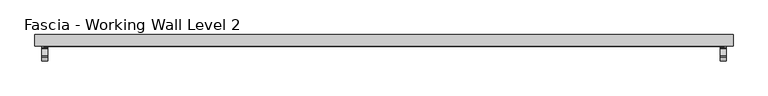
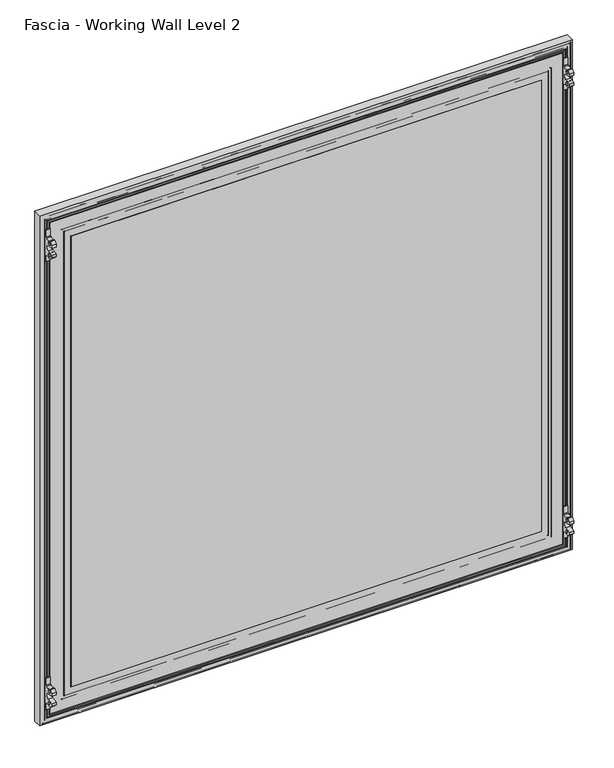
"""IFC4 building model written with IfcOpenShell, lengths in millimetres: proxy geometry, Fascia - Working Wall Level 2."""

from ifc_helpers import new_model, si_unit, point, frame, frame_2d, origin, origin_with_axes, place, context, project, spatial, polyline, circle_curve, ellipse_curve, trimmed, segment, composite_curve, outline, extrude, source, transform, mapped, element, save
from ifc_brep_helpers import plane_surface, cylinder_surface, advanced_brep


def fascia_working_wall_level_2_cd9cd66a(model_context):
    return source(origin(), model_context, "Body", "SolidModel", [
        extrude(outline(polyline([(-676.9277862, 27.57958), (515.3752112, 27.57958), (515.3752112, 8.52958), (-676.9277862, 8.52958), (-676.9277862, 27.57958)])), origin_with_axes(), (0.0, 0.0, 1.0), 1206.5),
        extrude(outline(polyline([(-607.3952862, 8.52958), (445.8427112, 8.52958), (445.8427112, 7.7479633), (-607.3952862, 7.7479633), (-607.3952862, 8.52958)])), frame((0.0, 0.0, 68.2878437), z_axis=(0.0, 0.0, 1.0), x_axis=(1.0, 0.0, 0.0)), (0.0, 0.0, 1.0), 1067.435),
        advanced_brep(
        [(-629.0968785, 9.1390123, 46.5862514), (-629.3662862, 8.26542, 46.3168437), (467.8137112, 8.26542, 46.3168437), (467.5443035, 9.1390123, 46.5862514), (-630.2706938, 10.3128277, 45.412436), (468.7181189, 10.3128277, 45.412436), (-623.1840938, 9.1390123, 52.499036), (-622.0102785, 10.3128277, 53.6728514), (460.4577035, 10.3128277, 53.6728514), (461.6315189, 9.1390123, 52.499036), (-622.9146862, 8.26542, 52.7684437), (461.3621112, 8.26542, 52.7684437), (-606.6332862, 9.40842, 69.0498437), (-607.3952862, 8.26542, 68.2878437), (445.8427112, 8.26542, 68.2878437), (445.0807112, 9.40842, 69.0498437), (-594.3142862, 16.52042, 81.3688437), (-594.3142862, 9.40842, 81.3688437), (432.7617112, 9.40842, 81.3688437), (432.7617112, 16.52042, 81.3688437), (-675.3402862, 9.78942, 0.3428437), (-675.3402862, 16.52042, 0.3428437), (513.7877112, 16.52042, 0.3428437), (513.7877112, 9.78942, 0.3428437), (-673.8162862, 8.26542, 1.8668437), (512.2637112, 8.26542, 1.8668437), (-671.7688785, 9.1390123, 3.9142514), (-672.0382862, 8.26542, 3.6448437), (510.4857112, 8.26542, 3.6448437), (510.2163035, 9.1390123, 3.9142514), (-672.9426938, 10.3128277, 2.740436), (511.3901189, 10.3128277, 2.740436), (-665.8560938, 9.1390123, 9.827036), (-664.6822785, 10.3128277, 11.0008514), (503.1297035, 10.3128277, 11.0008514), (504.3035189, 9.1390123, 9.827036), (-665.5866862, 8.26542, 10.0964437), (504.0341112, 8.26542, 10.0964437), (-660.6971862, 8.26542, 14.9859437), (-662.2211862, 8.26542, 13.4619437), (500.6686112, 8.26542, 13.4619437), (499.1446112, 8.26542, 14.9859437), (-654.7281862, 8.26542, 20.9549437), (-657.1411862, 8.26542, 18.5419437), (495.5886112, 8.26542, 18.5419437), (493.1756112, 8.26542, 20.9549437), (467.8137112, 8.26542, 1157.6938437), (467.5443035, 9.1390123, 1157.424436), (468.7181189, 10.3128277, 1158.5982514), (460.4577035, 10.3128277, 1150.337836), (461.6315189, 9.1390123, 1151.5116514), (461.3621112, 8.26542, 1151.2422437), (445.8427112, 8.26542, 1135.7228437), (445.0807112, 9.40842, 1134.9608437), (432.7617112, 9.40842, 1122.6418437), (432.7617112, 16.52042, 1122.6418437), (513.7877112, 16.52042, 1203.6678437), (513.7877112, 9.78942, 1203.6678437), (512.2637112, 8.26542, 1202.1438437), (510.4857112, 8.26542, 1200.3658437), (510.2163035, 9.1390123, 1200.096436), (511.3901189, 10.3128277, 1201.2702514), (503.1297035, 10.3128277, 1193.009836), (504.3035189, 9.1390123, 1194.1836514), (504.0341112, 8.26542, 1193.9142437), (500.6686112, 8.26542, 1190.5487437), (499.1446112, 8.26542, 1189.0247437), (495.5886112, 8.26542, 1185.4687437), (493.1756112, 8.26542, 1183.0557437), (-629.3662862, 8.26542, 1157.6938437), (-629.0968785, 9.1390123, 1157.424436), (-630.2706938, 10.3128277, 1158.5982514), (-622.0102785, 10.3128277, 1150.337836), (-623.1840938, 9.1390123, 1151.5116514), (-622.9146862, 8.26542, 1151.2422437), (-607.3952862, 8.26542, 1135.7228437), (-606.6332862, 9.40842, 1134.9608437), (-594.3142862, 9.40842, 1122.6418437), (-594.3142862, 16.52042, 1122.6418437), (-675.3402862, 16.52042, 1203.6678437), (-675.3402862, 9.78942, 1203.6678437), (-673.8162862, 8.26542, 1202.1438437), (-672.0382862, 8.26542, 1200.3658437), (-671.7688785, 9.1390123, 1200.096436), (-672.9426938, 10.3128277, 1201.2702514), (-664.6822785, 10.3128277, 1193.009836), (-665.8560938, 9.1390123, 1194.1836514), (-665.5866862, 8.26542, 1193.9142437), (-662.2211862, 8.26542, 1190.5487437), (-660.6971862, 8.26542, 1189.0247437), (-657.1411862, 8.26542, 1185.4687437), (-654.7281862, 8.26542, 1183.0557437)],
        [
            (0, 1, ellipse_curve(frame((-629.4624708, 8.77342, 46.220659), z_axis=(0.7071067811865475, 0.0, -0.7071067811865475), x_axis=(-0.7071067811865476, 0.0, -0.7071067811865474)), 0.7311846, 0.5170256)),
            (1, 2),
            (2, 3, ellipse_curve(frame((467.9098958, 8.77342, 46.220659), z_axis=(-0.7071067811865475, 0.0, -0.7071067811865475), x_axis=(-0.7071067811865476, 0.0, 0.7071067811865474)), 0.7311846, 0.5170256)),
            (3, 0),
            (4, 0),
            (3, 5),
            (5, 4),
            (6, 7),
            (7, 8),
            (8, 9),
            (9, 6),
            (10, 6, ellipse_curve(frame((-622.8185015, 8.77342, 52.8646283), z_axis=(0.7071067811865475, 0.0, -0.7071067811865475), x_axis=(-0.7071067811865476, 0.0, -0.7071067811865474)), 0.7311846, 0.5170256)),
            (9, 11, ellipse_curve(frame((461.2659265, 8.77342, 52.8646283), z_axis=(-0.7071067811865475, 0.0, -0.7071067811865475), x_axis=(-0.7071067811865476, 0.0, 0.7071067811865474)), 0.7311846, 0.5170256)),
            (11, 10),
            (12, 13),
            (13, 14),
            (14, 15),
            (15, 12),
            (16, 17),
            (17, 18),
            (18, 19),
            (19, 16),
            (20, 21),
            (21, 22),
            (22, 23),
            (23, 20),
            (24, 20),
            (23, 25),
            (25, 24),
            (26, 27, ellipse_curve(frame((-672.1344708, 8.77342, 3.548659), z_axis=(0.7071067811865475, 0.0, -0.7071067811865475), x_axis=(-0.7071067811865476, 0.0, -0.7071067811865474)), 0.7311846, 0.5170256)),
            (27, 28),
            (28, 29, ellipse_curve(frame((510.5818958, 8.77342, 3.548659), z_axis=(-0.7071067811865475, 0.0, -0.7071067811865475), x_axis=(-0.7071067811865476, 0.0, 0.7071067811865474)), 0.7311846, 0.5170256)),
            (29, 26),
            (30, 26),
            (29, 31),
            (31, 30),
            (32, 33),
            (33, 34),
            (34, 35),
            (35, 32),
            (36, 32, ellipse_curve(frame((-665.4905015, 8.77342, 10.1926283), z_axis=(0.7071067811865475, 0.0, -0.7071067811865475), x_axis=(-0.7071067811865476, 0.0, -0.7071067811865474)), 0.7311846, 0.5170256)),
            (35, 37, ellipse_curve(frame((503.9379265, 8.77342, 10.1926283), z_axis=(-0.7071067811865475, 0.0, -0.7071067811865475), x_axis=(-0.7071067811865476, 0.0, 0.7071067811865474)), 0.7311846, 0.5170256)),
            (37, 36),
            (38, 39, ellipse_curve(frame((-661.4591862, 8.26542, 14.2239437), z_axis=(0.7071067811865475, 0.0, -0.7071067811865475), x_axis=(-0.7071067811865476, 0.0, -0.7071067811865474)), 1.0776307, 0.762)),
            (39, 40),
            (40, 41, ellipse_curve(frame((499.9066112, 8.26542, 14.2239437), z_axis=(-0.7071067811865475, 0.0, -0.7071067811865475), x_axis=(-0.7071067811865476, 0.0, 0.7071067811865474)), 1.0776307, 0.762)),
            (41, 38),
            (42, 43, ellipse_curve(frame((-655.9346862, 8.9837931, 19.7484437), z_axis=(0.7071067811865475, 0.0, -0.7071067811865475), x_axis=(-0.7071067811865476, 0.0, -0.7071067811865474)), 1.9858007, 1.4041731)),
            (43, 44),
            (44, 45, ellipse_curve(frame((494.3821112, 8.9837931, 19.7484437), z_axis=(-0.7071067811865475, 0.0, -0.7071067811865475), x_axis=(-0.7071067811865476, 0.0, 0.7071067811865474)), 1.9858007, 1.4041731)),
            (45, 42),
            (2, 46),
            (46, 47, ellipse_curve(frame((467.9098958, 8.77342, 1157.7900283), z_axis=(0.7071067811865475, 0.0, -0.7071067811865475), x_axis=(-0.7071067811865474, 0.0, -0.7071067811865476)), 0.7311846, 0.5170256)),
            (47, 3),
            (47, 48),
            (48, 5),
            (8, 49),
            (49, 50),
            (50, 9),
            (50, 51, ellipse_curve(frame((461.2659265, 8.77342, 1151.146059), z_axis=(0.7071067811865475, 0.0, -0.7071067811865475), x_axis=(-0.7071067811865474, 0.0, -0.7071067811865476)), 0.7311846, 0.5170256)),
            (51, 11),
            (14, 52),
            (52, 53),
            (53, 15),
            (18, 54),
            (54, 55),
            (55, 19),
            (22, 56),
            (56, 57),
            (57, 23),
            (57, 58),
            (58, 25),
            (28, 59),
            (59, 60, ellipse_curve(frame((510.5818958, 8.77342, 1200.4620283), z_axis=(0.7071067811865475, 0.0, -0.7071067811865475), x_axis=(-0.7071067811865474, 0.0, -0.7071067811865476)), 0.7311846, 0.5170256)),
            (60, 29),
            (60, 61),
            (61, 31),
            (34, 62),
            (62, 63),
            (63, 35),
            (63, 64, ellipse_curve(frame((503.9379265, 8.77342, 1193.818059), z_axis=(0.7071067811865475, 0.0, -0.7071067811865475), x_axis=(-0.7071067811865474, 0.0, -0.7071067811865476)), 0.7311846, 0.5170256)),
            (64, 37),
            (40, 65),
            (65, 66, ellipse_curve(frame((499.9066112, 8.26542, 1189.7867437), z_axis=(0.7071067811865475, 0.0, -0.7071067811865475), x_axis=(-0.7071067811865474, 0.0, -0.7071067811865476)), 1.0776307, 0.762)),
            (66, 41),
            (44, 67),
            (67, 68, ellipse_curve(frame((494.3821112, 8.9837931, 1184.2622437), z_axis=(0.7071067811865475, 0.0, -0.7071067811865475), x_axis=(-0.7071067811865474, 0.0, -0.7071067811865476)), 1.9858007, 1.4041731)),
            (68, 45),
            (46, 69),
            (69, 70, ellipse_curve(frame((-629.4624708, 8.77342, 1157.7900283), z_axis=(0.7071067811865475, 0.0, 0.7071067811865475), x_axis=(0.7071067811865476, 0.0, -0.7071067811865474)), 0.7311846, 0.5170256)),
            (70, 47),
            (70, 71),
            (71, 48),
            (49, 72),
            (72, 73),
            (73, 50),
            (73, 74, ellipse_curve(frame((-622.8185015, 8.77342, 1151.146059), z_axis=(0.7071067811865475, 0.0, 0.7071067811865475), x_axis=(0.7071067811865476, 0.0, -0.7071067811865474)), 0.7311846, 0.5170256)),
            (74, 51),
            (52, 75),
            (75, 76),
            (76, 53),
            (54, 77),
            (77, 78),
            (78, 55),
            (56, 79),
            (79, 80),
            (80, 57),
            (80, 81),
            (81, 58),
            (59, 82),
            (82, 83, ellipse_curve(frame((-672.1344708, 8.77342, 1200.4620283), z_axis=(0.7071067811865475, 0.0, 0.7071067811865475), x_axis=(0.7071067811865476, 0.0, -0.7071067811865474)), 0.7311846, 0.5170256)),
            (83, 60),
            (83, 84),
            (84, 61),
            (62, 85),
            (85, 86),
            (86, 63),
            (86, 87, ellipse_curve(frame((-665.4905015, 8.77342, 1193.818059), z_axis=(0.7071067811865475, 0.0, 0.7071067811865475), x_axis=(0.7071067811865476, 0.0, -0.7071067811865474)), 0.7311846, 0.5170256)),
            (87, 64),
            (65, 88),
            (88, 89, ellipse_curve(frame((-661.4591862, 8.26542, 1189.7867437), z_axis=(0.7071067811865475, 0.0, 0.7071067811865475), x_axis=(0.7071067811865476, 0.0, -0.7071067811865474)), 1.0776307, 0.762)),
            (89, 66),
            (67, 90),
            (90, 91, ellipse_curve(frame((-655.9346862, 8.9837931, 1184.2622437), z_axis=(0.7071067811865475, 0.0, 0.7071067811865475), x_axis=(0.7071067811865476, 0.0, -0.7071067811865474)), 1.9858007, 1.4041731)),
            (91, 68),
            (91, 42),
            (1, 69),
            (0, 70),
            (4, 71),
            (7, 72),
            (6, 73),
            (10, 74),
            (13, 75),
            (12, 76),
            (17, 77),
            (16, 78),
            (21, 79),
            (20, 80),
            (24, 81),
            (27, 82),
            (26, 83),
            (30, 84),
            (33, 85),
            (32, 86),
            (36, 87),
            (39, 88),
            (38, 89),
            (43, 90),
        ],
        [
            cylinder_surface(frame((-594.3142862, 8.77342, 46.220659), z_axis=(-1.0, 0.0, 0.0), x_axis=(0.0, 0.0, 1.0)), 0.5170256),
            plane_surface(frame((-629.0968785, 9.1390123, 46.5862514), z_axis=(0.0, 0.7071067813015448, 0.7071067810715502), x_axis=(1.0, 0.0, 0.0))),
            plane_surface(frame((-622.0102785, 10.3128277, 53.6728514), z_axis=(0.0, 0.7071067813016149, -0.7071067810714802), x_axis=(1.0, 0.0, 0.0))),
            cylinder_surface(frame((-594.3142862, 8.77342, 52.8646283), z_axis=(-1.0, 0.0, 0.0), x_axis=(0.0, 0.0, 1.0)), 0.5170256),
            plane_surface(frame((-607.3952862, 8.26542, 68.2878437), z_axis=(0.0, -0.5547001959766814, 0.8320502945035422), x_axis=(1.0, 0.0, 0.0))),
            plane_surface(frame((-594.3142862, 9.40842, 81.3688437), z_axis=(0.0, 0.0, 1.0), x_axis=(1.0, 0.0, 0.0))),
            plane_surface(frame((-675.3402862, 16.52042, 0.3428437), z_axis=(0.0, 0.0, -1.0), x_axis=(1.0, 0.0, 0.0))),
            plane_surface(frame((-675.3402862, 9.78942, 0.3428437), z_axis=(0.0, -0.7071067810149474, -0.7071067813581478), x_axis=(1.0, 0.0, 0.0))),
            cylinder_surface(frame((-594.3142862, 8.77342, 3.548659), z_axis=(-1.0, 0.0, 0.0), x_axis=(0.0, 0.0, 1.0)), 0.5170256),
            plane_surface(frame((-671.7688785, 9.1390123, 3.9142514), z_axis=(0.0, 0.7071067811139597, 0.7071067812591354), x_axis=(1.0, 0.0, 0.0))),
            plane_surface(frame((-664.6822785, 10.3128277, 11.0008514), z_axis=(0.0, 0.7071067811880297, -0.7071067811850653), x_axis=(1.0, 0.0, 0.0))),
            cylinder_surface(frame((-594.3142862, 8.77342, 10.1926283), z_axis=(-1.0, 0.0, 0.0), x_axis=(0.0, 0.0, 1.0)), 0.5170256),
            cylinder_surface(frame((-594.3142862, 8.26542, 14.2239437), z_axis=(-1.0, 0.0, 0.0), x_axis=(0.0, 0.0, 1.0)), 0.762),
            cylinder_surface(frame((-594.3142862, 8.9837931, 19.7484437), z_axis=(-1.0, 0.0, 0.0), x_axis=(0.0, 0.0, 1.0)), 1.4041731),
            cylinder_surface(frame((467.9098958, 8.77342, 81.3688437), z_axis=(0.0, 0.0, -1.0), x_axis=(-1.0, 0.0, 0.0)), 0.5170256),
            plane_surface(frame((467.5443035, 9.1390123, 46.5862514), z_axis=(-0.7071067810715405, 0.7071067813015546, 0.0), x_axis=(0.0, 0.0, 1.0))),
            plane_surface(frame((460.4577035, 10.3128277, 53.6728514), z_axis=(0.7071067810714899, 0.7071067813016051, 0.0), x_axis=(0.0, 0.0, 1.0))),
            cylinder_surface(frame((461.2659265, 8.77342, 81.3688437), z_axis=(0.0, 0.0, -1.0), x_axis=(-1.0, 0.0, 0.0)), 0.5170256),
            plane_surface(frame((445.8427112, 8.26542, 68.2878437), z_axis=(-0.8320502945035498, -0.5547001959766699, 0.0), x_axis=(0.0, 0.0, 1.0))),
            plane_surface(frame((432.7617112, 9.40842, 81.3688437), z_axis=(-1.0, 0.0, 0.0), x_axis=(0.0, 0.0, 1.0))),
            plane_surface(frame((513.7877112, 16.52042, 0.3428437), z_axis=(1.0, 0.0, 0.0), x_axis=(0.0, 0.0, 1.0))),
            plane_surface(frame((513.7877112, 9.78942, 0.3428437), z_axis=(0.707106781358138, -0.7071067810149572, 0.0), x_axis=(0.0, 0.0, 1.0))),
            cylinder_surface(frame((510.5818958, 8.77342, 81.3688437), z_axis=(0.0, 0.0, -1.0), x_axis=(-1.0, 0.0, 0.0)), 0.5170256),
            plane_surface(frame((510.2163035, 9.1390123, 3.9142514), z_axis=(-0.7071067812591256, 0.7071067811139695, 0.0), x_axis=(0.0, 0.0, 1.0))),
            plane_surface(frame((503.1297035, 10.3128277, 11.0008514), z_axis=(0.7071067811850751, 0.70710678118802, 0.0), x_axis=(0.0, 0.0, 1.0))),
            cylinder_surface(frame((503.9379265, 8.77342, 81.3688437), z_axis=(0.0, 0.0, -1.0), x_axis=(-1.0, 0.0, 0.0)), 0.5170256),
            cylinder_surface(frame((499.9066112, 8.26542, 81.3688437), z_axis=(0.0, 0.0, -1.0), x_axis=(-1.0, 0.0, 0.0)), 0.762),
            cylinder_surface(frame((494.3821112, 8.9837931, 81.3688437), z_axis=(0.0, 0.0, -1.0), x_axis=(-1.0, 0.0, 0.0)), 1.4041731),
            cylinder_surface(frame((432.7617112, 8.77342, 1157.7900283), z_axis=(1.0, 0.0, 0.0), x_axis=(0.0, 0.0, -1.0)), 0.5170256),
            plane_surface(frame((467.5443035, 9.1390123, 1157.424436), z_axis=(0.0, 0.7071067813015643, -0.7071067810715307), x_axis=(-1.0, 0.0, 0.0))),
            plane_surface(frame((460.4577035, 10.3128277, 1150.337836), z_axis=(0.0, 0.7071067813015953, 0.7071067810714997), x_axis=(-1.0, 0.0, 0.0))),
            cylinder_surface(frame((432.7617112, 8.77342, 1151.146059), z_axis=(1.0, 0.0, 0.0), x_axis=(0.0, 0.0, -1.0)), 0.5170256),
            plane_surface(frame((445.8427112, 8.26542, 1135.7228437), z_axis=(0.0, -0.5547001959766583, -0.8320502945035575), x_axis=(-1.0, 0.0, 0.0))),
            plane_surface(frame((432.7617112, 9.40842, 1122.6418437), z_axis=(0.0, 0.0, -1.0), x_axis=(-1.0, 0.0, 0.0))),
            plane_surface(frame((513.7877112, 16.52042, 1203.6678437), z_axis=(0.0, 0.0, 1.0), x_axis=(-1.0, 0.0, 0.0))),
            plane_surface(frame((513.7877112, 9.78942, 1203.6678437), z_axis=(0.0, -0.7071067810149669, 0.7071067813581282), x_axis=(-1.0, 0.0, 0.0))),
            cylinder_surface(frame((432.7617112, 8.77342, 1200.4620283), z_axis=(1.0, 0.0, 0.0), x_axis=(0.0, 0.0, -1.0)), 0.5170256),
            plane_surface(frame((510.2163035, 9.1390123, 1200.096436), z_axis=(0.0, 0.7071067811139793, -0.7071067812591159), x_axis=(-1.0, 0.0, 0.0))),
            plane_surface(frame((503.1297035, 10.3128277, 1193.009836), z_axis=(0.0, 0.7071067811880102, 0.7071067811850849), x_axis=(-1.0, 0.0, 0.0))),
            cylinder_surface(frame((432.7617112, 8.77342, 1193.818059), z_axis=(1.0, 0.0, 0.0), x_axis=(0.0, 0.0, -1.0)), 0.5170256),
            cylinder_surface(frame((432.7617112, 8.26542, 1189.7867437), z_axis=(1.0, 0.0, 0.0), x_axis=(0.0, 0.0, -1.0)), 0.762),
            cylinder_surface(frame((432.7617112, 8.9837931, 1184.2622437), z_axis=(1.0, 0.0, 0.0), x_axis=(0.0, 0.0, -1.0)), 1.4041731),
            plane_surface(frame((-654.7281862, 8.26542, 1183.0557437), z_axis=(0.0, -1.0, 0.0), x_axis=(0.0, 0.0, -1.0))),
            cylinder_surface(frame((-629.4624708, 8.77342, 1122.6418437), z_axis=(0.0, 0.0, 1.0), x_axis=(1.0, 0.0, 0.0)), 0.5170256),
            plane_surface(frame((-629.0968785, 9.1390123, 1157.424436), z_axis=(0.7071067810715405, 0.7071067813015546, 0.0), x_axis=(0.0, 0.0, -1.0))),
            plane_surface(frame((-630.2706938, 10.3128277, 1158.5982514), z_axis=(0.0, -1.0, 0.0), x_axis=(0.0, 0.0, -1.0))),
            plane_surface(frame((-622.0102785, 10.3128277, 1150.337836), z_axis=(-0.7071067810714899, 0.7071067813016051, 0.0), x_axis=(0.0, 0.0, -1.0))),
            cylinder_surface(frame((-622.8185015, 8.77342, 1122.6418437), z_axis=(0.0, 0.0, 1.0), x_axis=(1.0, 0.0, 0.0)), 0.5170256),
            plane_surface(frame((-622.9146862, 8.26542, 1151.2422437), z_axis=(0.0, -1.0, 0.0), x_axis=(0.0, 0.0, -1.0))),
            plane_surface(frame((-607.3952862, 8.26542, 1135.7228437), z_axis=(0.8320502945035498, -0.5547001959766699, 0.0), x_axis=(0.0, 0.0, -1.0))),
            plane_surface(frame((-606.6332862, 9.40842, 1134.9608437), z_axis=(0.0, -1.0, 0.0), x_axis=(0.0, 0.0, -1.0))),
            plane_surface(frame((-594.3142862, 9.40842, 1122.6418437), z_axis=(1.0, 0.0, 0.0), x_axis=(0.0, 0.0, -1.0))),
            plane_surface(frame((-594.3142862, 16.52042, 1122.6418437), z_axis=(0.0, 1.0, 0.0), x_axis=(0.0, 0.0, -1.0))),
            plane_surface(frame((-675.3402862, 16.52042, 1203.6678437), z_axis=(-1.0, 0.0, 0.0), x_axis=(0.0, 0.0, -1.0))),
            plane_surface(frame((-675.3402862, 9.78942, 1203.6678437), z_axis=(-0.707106781358138, -0.7071067810149572, 0.0), x_axis=(0.0, 0.0, -1.0))),
            plane_surface(frame((-673.8162862, 8.26542, 1202.1438437), z_axis=(0.0, -1.0, 0.0), x_axis=(0.0, 0.0, -1.0))),
            cylinder_surface(frame((-672.1344708, 8.77342, 1122.6418437), z_axis=(0.0, 0.0, 1.0), x_axis=(1.0, 0.0, 0.0)), 0.5170256),
            plane_surface(frame((-671.7688785, 9.1390123, 1200.096436), z_axis=(0.7071067812591256, 0.7071067811139695, 0.0), x_axis=(0.0, 0.0, -1.0))),
            plane_surface(frame((-672.9426938, 10.3128277, 1201.2702514), z_axis=(0.0, -1.0, 0.0), x_axis=(0.0, 0.0, -1.0))),
            plane_surface(frame((-664.6822785, 10.3128277, 1193.009836), z_axis=(-0.7071067811850751, 0.70710678118802, 0.0), x_axis=(0.0, 0.0, -1.0))),
            cylinder_surface(frame((-665.4905015, 8.77342, 1122.6418437), z_axis=(0.0, 0.0, 1.0), x_axis=(1.0, 0.0, 0.0)), 0.5170256),
            plane_surface(frame((-665.5866862, 8.26542, 1193.9142437), z_axis=(0.0, -1.0, 0.0), x_axis=(0.0, 0.0, -1.0))),
            cylinder_surface(frame((-661.4591862, 8.26542, 1122.6418437), z_axis=(0.0, 0.0, 1.0), x_axis=(1.0, 0.0, 0.0)), 0.762),
            plane_surface(frame((-660.6971862, 8.26542, 1189.0247437), z_axis=(0.0, -1.0, 0.0), x_axis=(0.0, 0.0, -1.0))),
            cylinder_surface(frame((-655.9346862, 8.9837931, 1122.6418437), z_axis=(0.0, 0.0, 1.0), x_axis=(1.0, 0.0, 0.0)), 1.4041731),
        ],
        [
            (0, [[1, 2, 3, 4]]),
            (1, [[5, -4, 6, 7]]),
            (2, [[8, 9, 10, 11]]),
            (3, [[12, -11, 13, 14]]),
            (4, [[15, 16, 17, 18]]),
            (5, [[19, 20, 21, 22]]),
            (6, [[23, 24, 25, 26]]),
            (7, [[27, -26, 28, 29]]),
            (8, [[30, 31, 32, 33]]),
            (9, [[34, -33, 35, 36]]),
            (10, [[37, 38, 39, 40]]),
            (11, [[41, -40, 42, 43]]),
            (12, [[44, 45, 46, 47]]),
            (13, [[48, 49, 50, 51]]),
            (14, [[-3, 52, 53, 54]]),
            (15, [[-6, -54, 55, 56]]),
            (16, [[-10, 57, 58, 59]]),
            (17, [[-13, -59, 60, 61]]),
            (18, [[-17, 62, 63, 64]]),
            (19, [[-21, 65, 66, 67]]),
            (20, [[-25, 68, 69, 70]]),
            (21, [[-28, -70, 71, 72]]),
            (22, [[-32, 73, 74, 75]]),
            (23, [[-35, -75, 76, 77]]),
            (24, [[-39, 78, 79, 80]]),
            (25, [[-42, -80, 81, 82]]),
            (26, [[-46, 83, 84, 85]]),
            (27, [[-50, 86, 87, 88]]),
            (28, [[-53, 89, 90, 91]]),
            (29, [[-55, -91, 92, 93]]),
            (30, [[-58, 94, 95, 96]]),
            (31, [[-60, -96, 97, 98]]),
            (32, [[-63, 99, 100, 101]]),
            (33, [[-66, 102, 103, 104]]),
            (34, [[-69, 105, 106, 107]]),
            (35, [[-71, -107, 108, 109]]),
            (36, [[-74, 110, 111, 112]]),
            (37, [[-76, -112, 113, 114]]),
            (38, [[-79, 115, 116, 117]]),
            (39, [[-81, -117, 118, 119]]),
            (40, [[-84, 120, 121, 122]]),
            (41, [[-87, 123, 124, 125]]),
            (42, [[-88, -125, 126, -51], [127, -89, -52, -2]]),
            (43, [[-90, -127, -1, 128]]),
            (44, [[-92, -128, -5, 129]]),
            (45, [[-56, -93, -129, -7], [130, -94, -57, -9]]),
            (46, [[-95, -130, -8, 131]]),
            (47, [[-97, -131, -12, 132]]),
            (48, [[-61, -98, -132, -14], [133, -99, -62, -16]]),
            (49, [[-100, -133, -15, 134]]),
            (50, [[-64, -101, -134, -18], [135, -102, -65, -20]]),
            (51, [[-103, -135, -19, 136]]),
            (52, [[137, -105, -68, -24], [-67, -104, -136, -22]]),
            (53, [[-106, -137, -23, 138]]),
            (54, [[-108, -138, -27, 139]]),
            (55, [[-72, -109, -139, -29], [140, -110, -73, -31]]),
            (56, [[-111, -140, -30, 141]]),
            (57, [[-113, -141, -34, 142]]),
            (58, [[-77, -114, -142, -36], [143, -115, -78, -38]]),
            (59, [[-116, -143, -37, 144]]),
            (60, [[-118, -144, -41, 145]]),
            (61, [[-82, -119, -145, -43], [146, -120, -83, -45]]),
            (62, [[-121, -146, -44, 147]]),
            (63, [[-85, -122, -147, -47], [148, -123, -86, -49]]),
            (64, [[-124, -148, -48, -126]]),
        ],
    ),
        extrude(outline(composite_curve([segment(polyline([(-8.6264069, 1112.9651757), (-11.464792, 1112.9651757), (-17.46478, 1118.9651637), (-17.46478, 1124.9650069), (-3.517907, 1127.0356186)]), True, "CONTINUOUS"), segment(trimmed(circle_curve(frame_2d((-4.4724412, 1133.4650077)), 6.49986), [point((-3.517907, 1127.0356186))], [point((-3.517907, 1139.8943968))], True, "CARTESIAN"), True, "CONTINUOUS"), segment(polyline([(-3.517907, 1139.8943968), (-17.46478, 1141.9650085), (-17.46478, 1147.9648517), (-11.464792, 1153.9648397), (-8.6264069, 1153.9648397)]), True, "CONTINUOUS"), segment(trimmed(circle_curve(frame_2d((-2.969762, 1160.9650086)), 8.9999998), [point((-8.6264069, 1153.9648397))], [point((2.6868829, 1153.9648397))], True, "CARTESIAN"), True, "CONTINUOUS"), segment(polyline([(2.6868829, 1153.9648397), (6.03022, 1153.9648397), (6.03022, 1170.6633077), (9.02742, 1170.6633077), (9.02742, 1096.2667077), (6.03022, 1096.2667077), (6.03022, 1112.9651757), (2.6868829, 1112.9651757)]), True, "CONTINUOUS"), segment(trimmed(circle_curve(frame_2d((-2.969762, 1105.9650068)), 8.9999998), [point((2.6868829, 1112.9651757))], [point((-8.6264069, 1112.9651757))], True, "CARTESIAN"), True, "CONTINUOUS")], self_intersect=False), holes=[composite_curve([segment(trimmed(circle_curve(frame_2d((-7.48258, 1119.9650077)), 2.7813), [point((-10.26388, 1119.9650077))], [point((-4.70128, 1119.9650077))], True, "CARTESIAN"), True, "CONTINUOUS"), segment(trimmed(circle_curve(frame_2d((-7.48258, 1119.9650077)), 2.7813), [point((-4.70128, 1119.9650077))], [point((-10.26388, 1119.9650077))], True, "CARTESIAN"), True, "CONTINUOUS")], self_intersect=False), composite_curve([segment(trimmed(circle_curve(frame_2d((-7.48258, 1146.9650077)), 2.7813), [point((-10.26388, 1146.9650077))], [point((-4.70128, 1146.9650077))], True, "CARTESIAN"), True, "CONTINUOUS"), segment(trimmed(circle_curve(frame_2d((-7.48258, 1146.9650077)), 2.7813), [point((-4.70128, 1146.9650077))], [point((-10.26388, 1146.9650077))], True, "CARTESIAN"), True, "CONTINUOUS")], self_intersect=False)]), frame((493.6328112, 0.0, 0.0), z_axis=(1.0, 0.0, 0.0), x_axis=(0.0, 1.0, 0.0)), (0.0, 0.0, 1.0), 10.0076),
        extrude(outline(composite_curve([segment(polyline([(-8.6264069, 52.5351603), (-11.464792, 52.5351603), (-17.46478, 58.5351483), (-17.46478, 64.5349915), (-3.517907, 66.6056032)]), True, "CONTINUOUS"), segment(trimmed(circle_curve(frame_2d((-4.4724412, 73.0349923)), 6.49986), [point((-3.517907, 66.6056032))], [point((-3.517907, 79.4643814))], True, "CARTESIAN"), True, "CONTINUOUS"), segment(polyline([(-3.517907, 79.4643814), (-17.46478, 81.5349931), (-17.46478, 87.5348363), (-11.464792, 93.5348243), (-8.6264069, 93.5348243)]), True, "CONTINUOUS"), segment(trimmed(circle_curve(frame_2d((-2.969762, 100.5349932)), 8.9999998), [point((-8.6264069, 93.5348243))], [point((2.6868829, 93.5348243))], True, "CARTESIAN"), True, "CONTINUOUS"), segment(polyline([(2.6868829, 93.5348243), (6.03022, 93.5348243), (6.03022, 110.2332923), (9.02742, 110.2332923), (9.02742, 35.8366923), (6.03022, 35.8366923), (6.03022, 52.5351603), (2.6868829, 52.5351603)]), True, "CONTINUOUS"), segment(trimmed(circle_curve(frame_2d((-2.969762, 45.5349914)), 8.9999998), [point((2.6868829, 52.5351603))], [point((-8.6264069, 52.5351603))], True, "CARTESIAN"), True, "CONTINUOUS")], self_intersect=False), holes=[composite_curve([segment(trimmed(circle_curve(frame_2d((-7.48258, 59.5349923)), 2.7813), [point((-10.26388, 59.5349923))], [point((-4.70128, 59.5349923))], True, "CARTESIAN"), True, "CONTINUOUS"), segment(trimmed(circle_curve(frame_2d((-7.48258, 59.5349923)), 2.7813), [point((-4.70128, 59.5349923))], [point((-10.26388, 59.5349923))], True, "CARTESIAN"), True, "CONTINUOUS")], self_intersect=False), composite_curve([segment(trimmed(circle_curve(frame_2d((-7.48258, 86.5349923)), 2.7813), [point((-10.26388, 86.5349923))], [point((-4.70128, 86.5349923))], True, "CARTESIAN"), True, "CONTINUOUS"), segment(trimmed(circle_curve(frame_2d((-7.48258, 86.5349923)), 2.7813), [point((-4.70128, 86.5349923))], [point((-10.26388, 86.5349923))], True, "CARTESIAN"), True, "CONTINUOUS")], self_intersect=False)]), frame((493.6328112, 0.0, 0.0), z_axis=(1.0, 0.0, 0.0), x_axis=(0.0, 1.0, 0.0)), (0.0, 0.0, 1.0), 10.0076),
        extrude(outline(composite_curve([segment(polyline([(6.03022, 1170.6633077), (9.02742, 1170.6633077), (9.02742, 1096.2667077), (6.03022, 1096.2667077), (6.03022, 1112.9651757), (2.6868829, 1112.9651757)]), True, "CONTINUOUS"), segment(trimmed(circle_curve(frame_2d((-2.969762, 1105.9650068)), 8.9999998), [point((2.6868829, 1112.9651757))], [point((-8.6264069, 1112.9651757))], True, "CARTESIAN"), True, "CONTINUOUS"), segment(polyline([(-8.6264069, 1112.9651757), (-11.464792, 1112.9651757), (-17.46478, 1118.9651637), (-17.46478, 1124.9650069), (-3.517907, 1127.0356186)]), True, "CONTINUOUS"), segment(trimmed(circle_curve(frame_2d((-4.4724412, 1133.4650077)), 6.49986), [point((-3.517907, 1127.0356186))], [point((-3.517907, 1139.8943968))], True, "CARTESIAN"), True, "CONTINUOUS"), segment(polyline([(-3.517907, 1139.8943968), (-17.46478, 1141.9650085), (-17.46478, 1147.9648517), (-11.464792, 1153.9648397), (-8.6264069, 1153.9648397)]), True, "CONTINUOUS"), segment(trimmed(circle_curve(frame_2d((-2.969762, 1160.9650086)), 8.9999998), [point((-8.6264069, 1153.9648397))], [point((2.6868829, 1153.9648397))], True, "CARTESIAN"), True, "CONTINUOUS"), segment(polyline([(2.6868829, 1153.9648397), (6.03022, 1153.9648397), (6.03022, 1170.6633077)]), True, "CONTINUOUS")], self_intersect=False), holes=[composite_curve([segment(trimmed(circle_curve(frame_2d((-7.48258, 1119.9650077)), 2.7813), [point((-10.26388, 1119.9650077))], [point((-4.70128, 1119.9650077))], True, "CARTESIAN"), True, "CONTINUOUS"), segment(trimmed(circle_curve(frame_2d((-7.48258, 1119.9650077)), 2.7813), [point((-4.70128, 1119.9650077))], [point((-10.26388, 1119.9650077))], True, "CARTESIAN"), True, "CONTINUOUS")], self_intersect=False), composite_curve([segment(trimmed(circle_curve(frame_2d((-7.48258, 1146.9650077)), 2.7813), [point((-10.26388, 1146.9650077))], [point((-4.70128, 1146.9650077))], True, "CARTESIAN"), True, "CONTINUOUS"), segment(trimmed(circle_curve(frame_2d((-7.48258, 1146.9650077)), 2.7813), [point((-4.70128, 1146.9650077))], [point((-10.26388, 1146.9650077))], True, "CARTESIAN"), True, "CONTINUOUS")], self_intersect=False)]), frame((-665.1929862, 0.0, 0.0), z_axis=(1.0, 0.0, 0.0), x_axis=(0.0, 1.0, 0.0)), (0.0, 0.0, 1.0), 10.0076),
        extrude(outline(composite_curve([segment(polyline([(6.03022, 110.2332923), (9.02742, 110.2332923), (9.02742, 35.8366923), (6.03022, 35.8366923), (6.03022, 52.5351603), (2.6868829, 52.5351603)]), True, "CONTINUOUS"), segment(trimmed(circle_curve(frame_2d((-2.969762, 45.5349914)), 8.9999998), [point((2.6868829, 52.5351603))], [point((-8.6264069, 52.5351603))], True, "CARTESIAN"), True, "CONTINUOUS"), segment(polyline([(-8.6264069, 52.5351603), (-11.464792, 52.5351603), (-17.46478, 58.5351483), (-17.46478, 64.5349915), (-3.517907, 66.6056032)]), True, "CONTINUOUS"), segment(trimmed(circle_curve(frame_2d((-4.4724412, 73.0349923)), 6.49986), [point((-3.517907, 66.6056032))], [point((-3.517907, 79.4643814))], True, "CARTESIAN"), True, "CONTINUOUS"), segment(polyline([(-3.517907, 79.4643814), (-17.46478, 81.5349931), (-17.46478, 87.5348363), (-11.464792, 93.5348243), (-8.6264069, 93.5348243)]), True, "CONTINUOUS"), segment(trimmed(circle_curve(frame_2d((-2.969762, 100.5349932)), 8.9999998), [point((-8.6264069, 93.5348243))], [point((2.6868829, 93.5348243))], True, "CARTESIAN"), True, "CONTINUOUS"), segment(polyline([(2.6868829, 93.5348243), (6.03022, 93.5348243), (6.03022, 110.2332923)]), True, "CONTINUOUS")], self_intersect=False), holes=[composite_curve([segment(trimmed(circle_curve(frame_2d((-7.48258, 59.5349923)), 2.7813), [point((-10.26388, 59.5349923))], [point((-4.70128, 59.5349923))], True, "CARTESIAN"), True, "CONTINUOUS"), segment(trimmed(circle_curve(frame_2d((-7.48258, 59.5349923)), 2.7813), [point((-4.70128, 59.5349923))], [point((-10.26388, 59.5349923))], True, "CARTESIAN"), True, "CONTINUOUS")], self_intersect=False), composite_curve([segment(trimmed(circle_curve(frame_2d((-7.48258, 86.5349923)), 2.7813), [point((-10.26388, 86.5349923))], [point((-4.70128, 86.5349923))], True, "CARTESIAN"), True, "CONTINUOUS"), segment(trimmed(circle_curve(frame_2d((-7.48258, 86.5349923)), 2.7813), [point((-4.70128, 86.5349923))], [point((-10.26388, 86.5349923))], True, "CARTESIAN"), True, "CONTINUOUS")], self_intersect=False)]), frame((-665.1929862, 0.0, 0.0), z_axis=(1.0, 0.0, 0.0), x_axis=(0.0, 1.0, 0.0)), (0.0, 0.0, 1.0), 10.0076),
    ])


if __name__ == "__main__":
    model = new_model("IFC4")
    model_context = context("Model", 3, world=origin())
    ifc_project = project(units=[si_unit("LENGTHUNIT", "METRE", prefix="MILLI")], contexts=[model_context])
    site = spatial("IfcSite", under=ifc_project)
    building = spatial("IfcBuilding", under=site)
    placement = place(None, origin())
    fascia_working_wall_level_2_shape = fascia_working_wall_level_2_cd9cd66a(model_context)
    element("IfcBuildingElementProxy", 1, Name="Fascia - Working Wall Level 2", ObjectType="Fascia - Working Wall Level 2", at=placement, inside=building, context=model_context, shape_type="MappedRepresentation", body=[
        mapped(fascia_working_wall_level_2_shape, transform((0.0, 0.0, 0.0), x_axis=(1.0, 0.0, 0.0), y_axis=(0.0, 1.0, 0.0), z_axis=(0.0, 0.0, 1.0))),
    ])
    save(model, "model.ifc")
